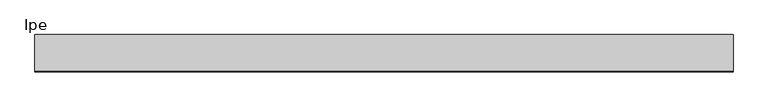
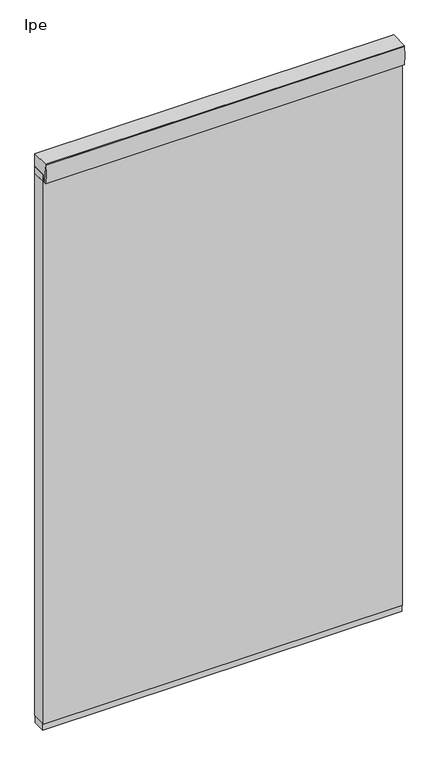
"""IFC4 building model written with IfcOpenShell, lengths in millimetres: plate geometry, Ipe."""

from ifc_helpers import new_model, si_unit, point, frame, frame_2d, origin, place, context, project, spatial, polyline, circle_curve, trimmed, segment, composite_curve, outline, extrude, source, transform, mapped, element, save


def ipe_1dbb0c72(model_context):
    return source(origin(), model_context, "Body", "SweptSolid", [
        extrude(outline(composite_curve([segment(polyline([(28.575, 2438.4), (28.575, 2359.025), (-34.13125, 2359.025)]), True, "CONTINUOUS"), segment(trimmed(circle_curve(frame_2d((-367.5335463, 2356.0450255)), 333.4156137), [point((-34.13125, 2359.025))], [point((-43.65625, 2435.225))], True, "CARTESIAN"), True, "CONTINUOUS"), segment(polyline([(-43.65625, 2435.225), (-43.65625, 2438.4), (28.575, 2438.4)]), True, "CONTINUOUS")], self_intersect=False)), frame((-698.5, 0.0, 0.0), z_axis=(1.0, 0.0, 0.0), x_axis=(0.0, 1.0, 0.0)), (0.0, 0.0, 1.0), 1397.0),
        extrude(outline(composite_curve([segment(polyline([(28.575, 2359.025), (-43.65625, 2359.025)]), True, "CONTINUOUS"), segment(trimmed(circle_curve(frame_2d((268.5966329, 2398.7125)), 314.7649291), [point((-43.65625, 2359.025))], [point((-43.65625, 2438.4))], False, "CARTESIAN"), True, "CONTINUOUS"), segment(polyline([(-43.65625, 2438.4), (28.575, 2438.4), (28.575, 2359.025)]), True, "CONTINUOUS")], self_intersect=False)), frame((-698.5, 0.0, 0.0), z_axis=(1.0, 0.0, 0.0), x_axis=(0.0, 1.0, 0.0)), (0.0, 0.0, 1.0), 1397.0),
        extrude(outline(polyline([(-698.5, 25.4), (698.5, 25.4), (698.5, -25.4), (-698.5, -25.4), (-698.5, 25.4)])), frame((0.0, 0.0, 101.6), z_axis=(0.0, 0.0, 1.0), x_axis=(1.0, 0.0, 0.0)), (0.0, 0.0, 1.0), 25.4),
        extrude(outline(polyline([(698.5, 28.575), (698.5, -28.575), (-698.5, -28.575), (-698.5, 28.575), (698.5, 28.575)])), frame((0.0, 0.0, 127.0), z_axis=(0.0, 0.0, 1.0), x_axis=(1.0, 0.0, 0.0)), (0.0, 0.0, 1.0), 2260.6),
    ])


if __name__ == "__main__":
    model = new_model("IFC4")
    model_context = context("Model", 3, world=origin())
    ifc_project = project(units=[si_unit("LENGTHUNIT", "METRE", prefix="MILLI")], contexts=[model_context])
    site = spatial("IfcSite", under=ifc_project)
    building = spatial("IfcBuilding", under=site)
    placement = place(None, origin())
    ipe_shape = ipe_1dbb0c72(model_context)
    element("IfcPlate", 1, ObjectType="Ipe", at=placement, inside=building, context=model_context, shape_type="MappedRepresentation", body=[
        mapped(ipe_shape, transform((0.0, 0.0, 0.0), x_axis=(1.0, 0.0, 0.0), y_axis=(0.0, 1.0, 0.0), z_axis=(0.0, 0.0, 1.0))),
    ])
    save(model, "model.ifc")
